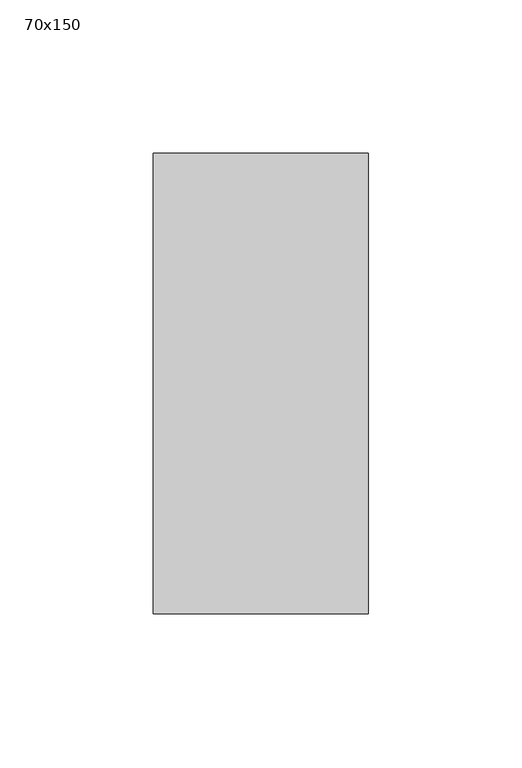
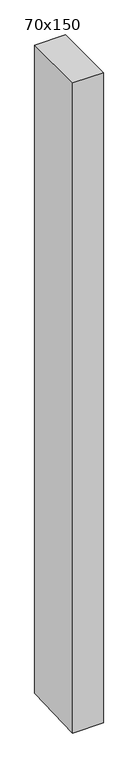
"""IFC4 building model written with IfcOpenShell, lengths in millimetres: member geometry, 70x150."""

from ifc_helpers import new_model, si_unit, frame, origin, place, context, project, spatial, polyline, outline, extrude, source, transform, mapped, element, save


def member_70x150_b56cabd7(model_context):
    return source(origin(), model_context, "Body", "SweptSolid", [
        extrude(outline(polyline([(-75.0, 0.0), (75.0, 0.0), (75.0, -1562.7028653), (-75.0, -1568.4330524), (-75.0, 0.0)])), frame((-70.0, 0.0, 0.0), z_axis=(1.0, 0.0, 0.0), x_axis=(0.0, 1.0, 0.0)), (0.0, 0.0, 1.0), 70.0),
    ])


if __name__ == "__main__":
    model = new_model("IFC4")
    model_context = context("Model", 3, world=origin())
    ifc_project = project(units=[si_unit("LENGTHUNIT", "METRE", prefix="MILLI")], contexts=[model_context])
    site = spatial("IfcSite", under=ifc_project)
    building = spatial("IfcBuilding", under=site)
    placement = place(None, origin())
    member_70x150_shape = member_70x150_b56cabd7(model_context)
    element("IfcMember", 1, ObjectType="70x150", at=placement, inside=building, context=model_context, shape_type="MappedRepresentation", body=[
        mapped(member_70x150_shape, transform((0.0, 0.0, 0.0), x_axis=(1.0, 0.0, 0.0), y_axis=(0.0, 1.0, 0.0), z_axis=(0.0, 0.0, 1.0))),
    ])
    save(model, "model.ifc")
